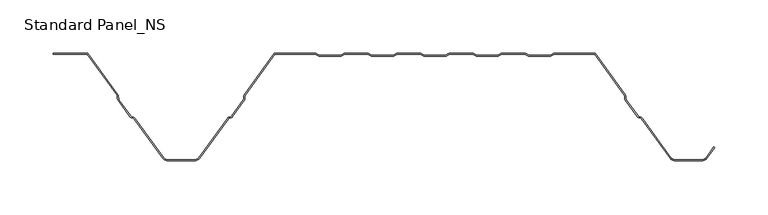
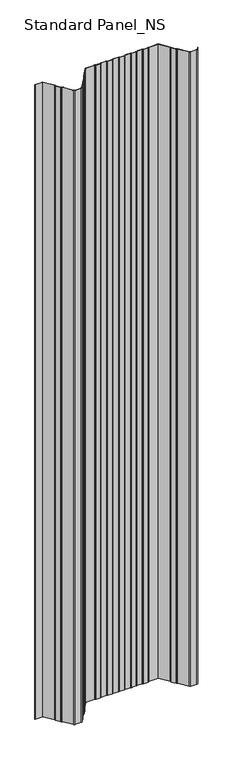
"""IFC4 building model written with IfcOpenShell, lengths in millimetres: proxy geometry, Standard Panel_NS."""

from ifc_helpers import new_model, si_unit, point, frame, frame_2d, origin, place, context, project, spatial, polyline, circle_curve, trimmed, segment, composite_curve, outline, extrude, source, transform, mapped, element, save


def standard_panel_ns_090be47a(model_context):
    return source(origin(), model_context, "Body", "SweptSolid", [
        extrude(outline(composite_curve([segment(polyline([(-266.0101621, -1.0), (-297.9999998, -1.0), (-297.9999998, 0.0), (-265.5000002, 0.0), (-237.3690592, -38.8012978)]), True, "CONTINUOUS"), segment(trimmed(circle_curve(frame_2d((-239.5943584, -40.4146398)), 2.7486049), [point((-237.3690592, -38.8012978))], [point((-236.8478765, -40.3066321))], False, "CARTESIAN"), True, "CONTINUOUS"), segment(polyline([(-236.8478765, -40.3066321), (-236.7597011, -42.5488047)]), True, "CONTINUOUS"), segment(trimmed(circle_curve(frame_2d((-235.0124468, -42.4800924)), 1.7486049), [point((-236.7597011, -42.5488047))], [point((-236.4281356, -43.5064668))], True, "CARTESIAN"), True, "CONTINUOUS"), segment(polyline([(-236.4281356, -43.5064668), (-225.3103065, -58.8414035)]), True, "CONTINUOUS"), segment(trimmed(circle_curve(frame_2d((-223.8946177, -57.8150291)), 1.7486049), [point((-225.3103065, -58.8414035))], [point((-224.5032119, -59.4543071))], True, "CARTESIAN"), True, "CONTINUOUS"), segment(polyline([(-224.5032119, -59.4543071), (-222.3996005, -60.2352885)]), True, "CONTINUOUS"), segment(trimmed(circle_curve(frame_2d((-223.3562403, -62.8120441)), 2.7486049), [point((-222.3996005, -60.2352885))], [point((-221.1309411, -61.1987022))], False, "CARTESIAN"), True, "CONTINUOUS"), segment(polyline([(-221.1309411, -61.1987022), (-194.4972427, -97.9348379)]), True, "CONTINUOUS"), segment(trimmed(circle_curve(frame_2d((-190.4491905, -95.0)), 5.0), [point((-194.4972427, -97.9348379))], [point((-190.4491905, -100.0))], True, "CARTESIAN"), True, "CONTINUOUS"), segment(polyline([(-190.4491905, -100.0), (-165.5508098, -100.0)]), True, "CONTINUOUS"), segment(trimmed(circle_curve(frame_2d((-165.5508098, -95.0)), 5.0), [point((-165.5508098, -100.0))], [point((-161.5027576, -97.9348379))], True, "CARTESIAN"), True, "CONTINUOUS"), segment(polyline([(-161.5027576, -97.9348379), (-134.8690592, -61.1987022)]), True, "CONTINUOUS"), segment(trimmed(circle_curve(frame_2d((-132.64376, -62.8120441)), 2.7486049), [point((-134.8690592, -61.1987022))], [point((-133.6003998, -60.2352885))], False, "CARTESIAN"), True, "CONTINUOUS"), segment(polyline([(-133.6003998, -60.2352885), (-131.4967884, -59.4543071)]), True, "CONTINUOUS"), segment(trimmed(circle_curve(frame_2d((-132.1053826, -57.8150291)), 1.7486049), [point((-131.4967884, -59.4543071))], [point((-130.6896938, -58.8414035))], True, "CARTESIAN"), True, "CONTINUOUS"), segment(polyline([(-130.6896938, -58.8414035), (-119.5718647, -43.5064668)]), True, "CONTINUOUS"), segment(trimmed(circle_curve(frame_2d((-120.9875535, -42.4800924)), 1.7486049), [point((-119.5718647, -43.5064668))], [point((-119.2402992, -42.5488047))], True, "CARTESIAN"), True, "CONTINUOUS"), segment(polyline([(-119.2402992, -42.5488047), (-119.1521238, -40.3066321)]), True, "CONTINUOUS"), segment(trimmed(circle_curve(frame_2d((-116.4056419, -40.4146398)), 2.7486049), [point((-119.1521238, -40.3066321))], [point((-118.6309411, -38.8012978))], False, "CARTESIAN"), True, "CONTINUOUS"), segment(polyline([(-118.6309411, -38.8012978), (-90.5000002, 0.0), (-52.1655441, 0.0)]), True, "CONTINUOUS"), segment(trimmed(circle_curve(frame_2d((-52.1655441, -2.7486049)), 2.7486049), [point((-52.1655441, 0.0))], [point((-50.6408924, -0.4616274))], False, "CARTESIAN"), True, "CONTINUOUS"), segment(polyline([(-50.6408924, -0.4616274), (-48.77385, -1.7063223)]), True, "CONTINUOUS"), segment(trimmed(circle_curve(frame_2d((-47.8038985, -0.2513951)), 1.7486049), [point((-48.77385, -1.7063223))], [point((-47.8038985, -2.0))], True, "CARTESIAN"), True, "CONTINUOUS"), segment(polyline([(-47.8038985, -2.0), (-28.8627684, -2.0)]), True, "CONTINUOUS"), segment(trimmed(circle_curve(frame_2d((-28.8627684, -0.2513951)), 1.7486049), [point((-28.8627684, -2.0))], [point((-27.892817, -1.7063223))], True, "CARTESIAN"), True, "CONTINUOUS"), segment(polyline([(-27.892817, -1.7063223), (-26.0257746, -0.4616274)]), True, "CONTINUOUS"), segment(trimmed(circle_curve(frame_2d((-24.5011229, -2.7486049)), 2.7486049), [point((-26.0257746, -0.4616274))], [point((-24.5011229, 0.0))], False, "CARTESIAN"), True, "CONTINUOUS"), segment(polyline([(-24.5011229, 0.0), (-2.9988774, 0.0)]), True, "CONTINUOUS"), segment(trimmed(circle_curve(frame_2d((-2.9988774, -2.7486049)), 2.7486049), [point((-2.9988774, 0.0))], [point((-1.4742257, -0.4616274))], False, "CARTESIAN"), True, "CONTINUOUS"), segment(polyline([(-1.4742257, -0.4616274), (0.3928167, -1.7063223)]), True, "CONTINUOUS"), segment(trimmed(circle_curve(frame_2d((1.3627681, -0.2513951)), 1.7486049), [point((0.3928167, -1.7063223))], [point((1.3627681, -2.0))], True, "CARTESIAN"), True, "CONTINUOUS"), segment(polyline([(1.3627681, -2.0), (20.3038982, -2.0)]), True, "CONTINUOUS"), segment(trimmed(circle_curve(frame_2d((20.3038982, -0.2513951)), 1.7486049), [point((20.3038982, -2.0))], [point((21.2738497, -1.7063223))], True, "CARTESIAN"), True, "CONTINUOUS"), segment(polyline([(21.2738497, -1.7063223), (23.1408921, -0.4616274)]), True, "CONTINUOUS"), segment(trimmed(circle_curve(frame_2d((24.6655438, -2.7486049)), 2.7486049), [point((23.1408921, -0.4616274))], [point((24.6655438, 0.0))], False, "CARTESIAN"), True, "CONTINUOUS"), segment(polyline([(24.6655438, 0.0), (46.1677892, 0.0)]), True, "CONTINUOUS"), segment(trimmed(circle_curve(frame_2d((46.1677892, -2.7486049)), 2.7486049), [point((46.1677892, 0.0))], [point((47.6924409, -0.4616274))], False, "CARTESIAN"), True, "CONTINUOUS"), segment(polyline([(47.6924409, -0.4616274), (49.5594833, -1.7063223)]), True, "CONTINUOUS"), segment(trimmed(circle_curve(frame_2d((50.5294348, -0.2513951)), 1.7486049), [point((49.5594833, -1.7063223))], [point((50.5294348, -2.0))], True, "CARTESIAN"), True, "CONTINUOUS"), segment(polyline([(50.5294348, -2.0), (69.4705649, -2.0)]), True, "CONTINUOUS"), segment(trimmed(circle_curve(frame_2d((69.4705649, -0.2513951)), 1.7486049), [point((69.4705649, -2.0))], [point((70.4405164, -1.7063223))], True, "CARTESIAN"), True, "CONTINUOUS"), segment(polyline([(70.4405164, -1.7063223), (72.3075588, -0.4616274)]), True, "CONTINUOUS"), segment(trimmed(circle_curve(frame_2d((73.8322104, -2.7486049)), 2.7486049), [point((72.3075588, -0.4616274))], [point((73.8322104, 0.0))], False, "CARTESIAN"), True, "CONTINUOUS"), segment(polyline([(73.8322104, 0.0), (95.3344559, 0.0)]), True, "CONTINUOUS"), segment(trimmed(circle_curve(frame_2d((95.3344559, -2.7486049)), 2.7486049), [point((95.3344559, 0.0))], [point((96.8591076, -0.4616274))], False, "CARTESIAN"), True, "CONTINUOUS"), segment(polyline([(96.8591076, -0.4616274), (98.72615, -1.7063223)]), True, "CONTINUOUS"), segment(trimmed(circle_curve(frame_2d((99.6961015, -0.2513951)), 1.7486049), [point((98.72615, -1.7063223))], [point((99.6961015, -2.0))], True, "CARTESIAN"), True, "CONTINUOUS"), segment(polyline([(99.6961015, -2.0), (118.6372316, -2.0)]), True, "CONTINUOUS"), segment(trimmed(circle_curve(frame_2d((118.6372316, -0.2513951)), 1.7486049), [point((118.6372316, -2.0))], [point((119.607183, -1.7063223))], True, "CARTESIAN"), True, "CONTINUOUS"), segment(polyline([(119.607183, -1.7063223), (121.4742254, -0.4616274)]), True, "CONTINUOUS"), segment(trimmed(circle_curve(frame_2d((122.9988771, -2.7486049)), 2.7486049), [point((121.4742254, -0.4616274))], [point((122.9988771, 0.0))], False, "CARTESIAN"), True, "CONTINUOUS"), segment(polyline([(122.9988771, 0.0), (144.5011226, 0.0)]), True, "CONTINUOUS"), segment(trimmed(circle_curve(frame_2d((144.5011226, -2.7486049)), 2.7486049), [point((144.5011226, 0.0))], [point((146.0257743, -0.4616274))], False, "CARTESIAN"), True, "CONTINUOUS"), segment(polyline([(146.0257743, -0.4616274), (147.8928167, -1.7063223)]), True, "CONTINUOUS"), segment(trimmed(circle_curve(frame_2d((148.8627681, -0.2513951)), 1.7486049), [point((147.8928167, -1.7063223))], [point((148.8627681, -2.0))], True, "CARTESIAN"), True, "CONTINUOUS"), segment(polyline([(148.8627681, -2.0), (167.8038982, -2.0)]), True, "CONTINUOUS"), segment(trimmed(circle_curve(frame_2d((167.8038982, -0.2513951)), 1.7486049), [point((167.8038982, -2.0))], [point((168.7738497, -1.7063223))], True, "CARTESIAN"), True, "CONTINUOUS"), segment(polyline([(168.7738497, -1.7063223), (170.6408921, -0.4616274)]), True, "CONTINUOUS"), segment(trimmed(circle_curve(frame_2d((172.1655438, -2.7486049)), 2.7486049), [point((170.6408921, -0.4616274))], [point((172.1655438, 0.0))], False, "CARTESIAN"), True, "CONTINUOUS"), segment(polyline([(172.1655438, 0.0), (210.4999998, 0.0), (238.6309408, -38.8012978)]), True, "CONTINUOUS"), segment(trimmed(circle_curve(frame_2d((236.4056416, -40.4146398)), 2.7486049), [point((238.6309408, -38.8012978))], [point((239.1521235, -40.3066321))], False, "CARTESIAN"), True, "CONTINUOUS"), segment(polyline([(239.1521235, -40.3066321), (239.2402989, -42.5488047)]), True, "CONTINUOUS"), segment(trimmed(circle_curve(frame_2d((240.9875532, -42.4800924)), 1.7486049), [point((239.2402989, -42.5488047))], [point((239.5718644, -43.5064668))], True, "CARTESIAN"), True, "CONTINUOUS"), segment(polyline([(239.5718644, -43.5064668), (250.6896935, -58.8414035)]), True, "CONTINUOUS"), segment(trimmed(circle_curve(frame_2d((252.1053823, -57.8150291)), 1.7486049), [point((250.6896935, -58.8414035))], [point((251.4967881, -59.4543071))], True, "CARTESIAN"), True, "CONTINUOUS"), segment(polyline([(251.4967881, -59.4543071), (253.6003995, -60.2352885)]), True, "CONTINUOUS"), segment(trimmed(circle_curve(frame_2d((252.6437597, -62.8120441)), 2.7486049), [point((253.6003995, -60.2352885))], [point((254.8690589, -61.1987022))], False, "CARTESIAN"), True, "CONTINUOUS"), segment(polyline([(254.8690589, -61.1987022), (281.5027573, -97.9348379)]), True, "CONTINUOUS"), segment(trimmed(circle_curve(frame_2d((285.5508095, -95.0)), 5.0), [point((281.5027573, -97.9348379))], [point((285.5508095, -100.0))], True, "CARTESIAN"), True, "CONTINUOUS"), segment(polyline([(285.5508095, -100.0), (310.4491902, -100.0)]), True, "CONTINUOUS"), segment(trimmed(circle_curve(frame_2d((310.4491902, -95.0)), 5.0), [point((310.4491902, -100.0))], [point((314.4972424, -97.9348379))], True, "CARTESIAN"), True, "CONTINUOUS"), segment(polyline([(314.4972424, -97.9348379), (321.8045134, -87.8558433), (322.6141239, -88.4428109), (315.3068528, -98.5218054)]), True, "CONTINUOUS"), segment(trimmed(circle_curve(frame_2d((310.4491902, -95.0)), 6.0), [point((315.3068528, -98.5218054))], [point((310.4491902, -101.0))], False, "CARTESIAN"), True, "CONTINUOUS"), segment(polyline([(310.4491902, -101.0), (285.5508095, -101.0)]), True, "CONTINUOUS"), segment(trimmed(circle_curve(frame_2d((285.5508095, -95.0)), 6.0), [point((285.5508095, -101.0))], [point((280.6931469, -98.5218054))], False, "CARTESIAN"), True, "CONTINUOUS"), segment(polyline([(280.6931469, -98.5218054), (254.0594485, -61.7856697)]), True, "CONTINUOUS"), segment(trimmed(circle_curve(frame_2d((252.6437597, -62.8120441)), 1.7486049), [point((254.0594485, -61.7856697))], [point((253.2523539, -61.1727662))], True, "CARTESIAN"), True, "CONTINUOUS"), segment(polyline([(253.2523539, -61.1727662), (251.1487425, -60.3917847)]), True, "CONTINUOUS"), segment(trimmed(circle_curve(frame_2d((252.1053823, -57.8150291)), 2.7486049), [point((251.1487425, -60.3917847))], [point((249.8800831, -59.4283711))], False, "CARTESIAN"), True, "CONTINUOUS"), segment(polyline([(249.8800831, -59.4283711), (238.762254, -44.0934344)]), True, "CONTINUOUS"), segment(trimmed(circle_curve(frame_2d((240.9875532, -42.4800924)), 2.7486049), [point((238.762254, -44.0934344))], [point((238.2410712, -42.5881001))], False, "CARTESIAN"), True, "CONTINUOUS"), segment(polyline([(238.2410712, -42.5881001), (238.1528959, -40.3459275)]), True, "CONTINUOUS"), segment(trimmed(circle_curve(frame_2d((236.4056416, -40.4146398)), 1.7486049), [point((238.1528959, -40.3459275))], [point((237.8213303, -39.3882654))], True, "CARTESIAN"), True, "CONTINUOUS"), segment(polyline([(237.8213303, -39.3882654), (209.9898379, -1.0), (172.1655438, -1.0)]), True, "CONTINUOUS"), segment(trimmed(circle_curve(frame_2d((172.1655438, -2.7486049)), 1.7486049), [point((172.1655438, -1.0))], [point((171.1955923, -1.2936777))], True, "CARTESIAN"), True, "CONTINUOUS"), segment(polyline([(171.1955923, -1.2936777), (169.3285499, -2.5383726)]), True, "CONTINUOUS"), segment(trimmed(circle_curve(frame_2d((167.8038982, -0.2513951)), 2.7486049), [point((169.3285499, -2.5383726))], [point((167.8038982, -3.0))], False, "CARTESIAN"), True, "CONTINUOUS"), segment(polyline([(167.8038982, -3.0), (148.8627681, -3.0)]), True, "CONTINUOUS"), segment(trimmed(circle_curve(frame_2d((148.8627681, -0.2513951)), 2.7486049), [point((148.8627681, -3.0))], [point((147.3381165, -2.5383726))], False, "CARTESIAN"), True, "CONTINUOUS"), segment(polyline([(147.3381165, -2.5383726), (145.4710741, -1.2936777)]), True, "CONTINUOUS"), segment(trimmed(circle_curve(frame_2d((144.5011226, -2.7486049)), 1.7486049), [point((145.4710741, -1.2936777))], [point((144.5011226, -1.0))], True, "CARTESIAN"), True, "CONTINUOUS"), segment(polyline([(144.5011226, -1.0), (122.9988771, -1.0)]), True, "CONTINUOUS"), segment(trimmed(circle_curve(frame_2d((122.9988771, -2.7486049)), 1.7486049), [point((122.9988771, -1.0))], [point((122.0289256, -1.2936777))], True, "CARTESIAN"), True, "CONTINUOUS"), segment(polyline([(122.0289256, -1.2936777), (120.1618832, -2.5383726)]), True, "CONTINUOUS"), segment(trimmed(circle_curve(frame_2d((118.6372316, -0.2513951)), 2.7486049), [point((120.1618832, -2.5383726))], [point((118.6372316, -3.0))], False, "CARTESIAN"), True, "CONTINUOUS"), segment(polyline([(118.6372316, -3.0), (99.6961015, -3.0)]), True, "CONTINUOUS"), segment(trimmed(circle_curve(frame_2d((99.6961015, -0.2513951)), 2.7486049), [point((99.6961015, -3.0))], [point((98.1714498, -2.5383726))], False, "CARTESIAN"), True, "CONTINUOUS"), segment(polyline([(98.1714498, -2.5383726), (96.3044074, -1.2936777)]), True, "CONTINUOUS"), segment(trimmed(circle_curve(frame_2d((95.3344559, -2.7486049)), 1.7486049), [point((96.3044074, -1.2936777))], [point((95.3344559, -1.0))], True, "CARTESIAN"), True, "CONTINUOUS"), segment(polyline([(95.3344559, -1.0), (73.8322104, -1.0)]), True, "CONTINUOUS"), segment(trimmed(circle_curve(frame_2d((73.8322104, -2.7486049)), 1.7486049), [point((73.8322104, -1.0))], [point((72.862259, -1.2936777))], True, "CARTESIAN"), True, "CONTINUOUS"), segment(polyline([(72.862259, -1.2936777), (70.9952166, -2.5383726)]), True, "CONTINUOUS"), segment(trimmed(circle_curve(frame_2d((69.4705649, -0.2513951)), 2.7486049), [point((70.9952166, -2.5383726))], [point((69.4705649, -3.0))], False, "CARTESIAN"), True, "CONTINUOUS"), segment(polyline([(69.4705649, -3.0), (50.5294348, -3.0)]), True, "CONTINUOUS"), segment(trimmed(circle_curve(frame_2d((50.5294348, -0.2513951)), 2.7486049), [point((50.5294348, -3.0))], [point((49.0047831, -2.5383726))], False, "CARTESIAN"), True, "CONTINUOUS"), segment(polyline([(49.0047831, -2.5383726), (47.1377407, -1.2936777)]), True, "CONTINUOUS"), segment(trimmed(circle_curve(frame_2d((46.1677892, -2.7486049)), 1.7486049), [point((47.1377407, -1.2936777))], [point((46.1677892, -1.0))], True, "CARTESIAN"), True, "CONTINUOUS"), segment(polyline([(46.1677892, -1.0), (24.6655438, -1.0)]), True, "CONTINUOUS"), segment(trimmed(circle_curve(frame_2d((24.6655438, -2.7486049)), 1.7486049), [point((24.6655438, -1.0))], [point((23.6955923, -1.2936777))], True, "CARTESIAN"), True, "CONTINUOUS"), segment(polyline([(23.6955923, -1.2936777), (21.8285499, -2.5383726)]), True, "CONTINUOUS"), segment(trimmed(circle_curve(frame_2d((20.3038982, -0.2513951)), 2.7486049), [point((21.8285499, -2.5383726))], [point((20.3038982, -3.0))], False, "CARTESIAN"), True, "CONTINUOUS"), segment(polyline([(20.3038982, -3.0), (1.3627681, -3.0)]), True, "CONTINUOUS"), segment(trimmed(circle_curve(frame_2d((1.3627681, -0.2513951)), 2.7486049), [point((1.3627681, -3.0))], [point((-0.1618835, -2.5383726))], False, "CARTESIAN"), True, "CONTINUOUS"), segment(polyline([(-0.1618835, -2.5383726), (-2.0289259, -1.2936777)]), True, "CONTINUOUS"), segment(trimmed(circle_curve(frame_2d((-2.9988774, -2.7486049)), 1.7486049), [point((-2.0289259, -1.2936777))], [point((-2.9988774, -1.0))], True, "CARTESIAN"), True, "CONTINUOUS"), segment(polyline([(-2.9988774, -1.0), (-24.5011229, -1.0)]), True, "CONTINUOUS"), segment(trimmed(circle_curve(frame_2d((-24.5011229, -2.7486049)), 1.7486049), [point((-24.5011229, -1.0))], [point((-25.4710744, -1.2936777))], True, "CARTESIAN"), True, "CONTINUOUS"), segment(polyline([(-25.4710744, -1.2936777), (-27.3381168, -2.5383726)]), True, "CONTINUOUS"), segment(trimmed(circle_curve(frame_2d((-28.8627684, -0.2513951)), 2.7486049), [point((-27.3381168, -2.5383726))], [point((-28.8627684, -3.0))], False, "CARTESIAN"), True, "CONTINUOUS"), segment(polyline([(-28.8627684, -3.0), (-47.8038985, -3.0)]), True, "CONTINUOUS"), segment(trimmed(circle_curve(frame_2d((-47.8038985, -0.2513951)), 2.7486049), [point((-47.8038985, -3.0))], [point((-49.3285502, -2.5383726))], False, "CARTESIAN"), True, "CONTINUOUS"), segment(polyline([(-49.3285502, -2.5383726), (-51.1955926, -1.2936777)]), True, "CONTINUOUS"), segment(trimmed(circle_curve(frame_2d((-52.1655441, -2.7486049)), 1.7486049), [point((-51.1955926, -1.2936777))], [point((-52.1655441, -1.0))], True, "CARTESIAN"), True, "CONTINUOUS"), segment(polyline([(-52.1655441, -1.0), (-89.9898382, -1.0), (-117.8213306, -39.3882654)]), True, "CONTINUOUS"), segment(trimmed(circle_curve(frame_2d((-116.4056419, -40.4146398)), 1.7486049), [point((-117.8213306, -39.3882654))], [point((-118.1528962, -40.3459275))], True, "CARTESIAN"), True, "CONTINUOUS"), segment(polyline([(-118.1528962, -40.3459275), (-118.2410715, -42.5881001)]), True, "CONTINUOUS"), segment(trimmed(circle_curve(frame_2d((-120.9875535, -42.4800924)), 2.7486049), [point((-118.2410715, -42.5881001))], [point((-118.7622543, -44.0934344))], False, "CARTESIAN"), True, "CONTINUOUS"), segment(polyline([(-118.7622543, -44.0934344), (-129.8800834, -59.4283711)]), True, "CONTINUOUS"), segment(trimmed(circle_curve(frame_2d((-132.1053826, -57.8150291)), 2.7486049), [point((-129.8800834, -59.4283711))], [point((-131.1487428, -60.3917847))], False, "CARTESIAN"), True, "CONTINUOUS"), segment(polyline([(-131.1487428, -60.3917847), (-133.2523542, -61.1727662)]), True, "CONTINUOUS"), segment(trimmed(circle_curve(frame_2d((-132.64376, -62.8120441)), 1.7486049), [point((-133.2523542, -61.1727662))], [point((-134.0594488, -61.7856697))], True, "CARTESIAN"), True, "CONTINUOUS"), segment(polyline([(-134.0594488, -61.7856697), (-160.6931472, -98.5218054)]), True, "CONTINUOUS"), segment(trimmed(circle_curve(frame_2d((-165.5508098, -95.0)), 6.0), [point((-160.6931472, -98.5218054))], [point((-165.5508098, -101.0))], False, "CARTESIAN"), True, "CONTINUOUS"), segment(polyline([(-165.5508098, -101.0), (-190.4491905, -101.0)]), True, "CONTINUOUS"), segment(trimmed(circle_curve(frame_2d((-190.4491905, -95.0)), 6.0), [point((-190.4491905, -101.0))], [point((-195.3068531, -98.5218054))], False, "CARTESIAN"), True, "CONTINUOUS"), segment(polyline([(-195.3068531, -98.5218054), (-221.9405515, -61.7856697)]), True, "CONTINUOUS"), segment(trimmed(circle_curve(frame_2d((-223.3562403, -62.8120441)), 1.7486049), [point((-221.9405515, -61.7856697))], [point((-222.7476461, -61.1727662))], True, "CARTESIAN"), True, "CONTINUOUS"), segment(polyline([(-222.7476461, -61.1727662), (-224.8512575, -60.3917847)]), True, "CONTINUOUS"), segment(trimmed(circle_curve(frame_2d((-223.8946177, -57.8150291)), 2.7486049), [point((-224.8512575, -60.3917847))], [point((-226.1199169, -59.4283711))], False, "CARTESIAN"), True, "CONTINUOUS"), segment(polyline([(-226.1199169, -59.4283711), (-237.237746, -44.0934344)]), True, "CONTINUOUS"), segment(trimmed(circle_curve(frame_2d((-235.0124468, -42.4800924)), 2.7486049), [point((-237.237746, -44.0934344))], [point((-237.7589288, -42.5881001))], False, "CARTESIAN"), True, "CONTINUOUS"), segment(polyline([(-237.7589288, -42.5881001), (-237.8471041, -40.3459275)]), True, "CONTINUOUS"), segment(trimmed(circle_curve(frame_2d((-239.5943584, -40.4146398)), 1.7486049), [point((-237.8471041, -40.3459275))], [point((-238.1786697, -39.3882654))], True, "CARTESIAN"), True, "CONTINUOUS"), segment(polyline([(-238.1786697, -39.3882654), (-266.0101621, -1.0)]), True, "CONTINUOUS")], self_intersect=False)), frame((0.0, 0.0, -250.0), z_axis=(0.0, 0.0, 1.0), x_axis=(1.0, 0.0, 0.0)), (0.0, 0.0, 1.0), 2762.4689053),
    ])


if __name__ == "__main__":
    model = new_model("IFC4")
    model_context = context("Model", 3, world=origin())
    ifc_project = project(units=[si_unit("LENGTHUNIT", "METRE", prefix="MILLI")], contexts=[model_context])
    site = spatial("IfcSite", under=ifc_project)
    building = spatial("IfcBuilding", under=site)
    placement = place(None, origin())
    standard_panel_ns_shape = standard_panel_ns_090be47a(model_context)
    element("IfcBuildingElementProxy", 1, Name="Standard Panel_NS", ObjectType="Standard Panel_NS", at=placement, inside=building, context=model_context, shape_type="MappedRepresentation", body=[
        mapped(standard_panel_ns_shape, transform((0.0, 0.0, 0.0), x_axis=(1.0, 0.0, 0.0), y_axis=(0.0, 1.0, 0.0), z_axis=(0.0, 0.0, 1.0))),
    ])
    save(model, "model.ifc")
